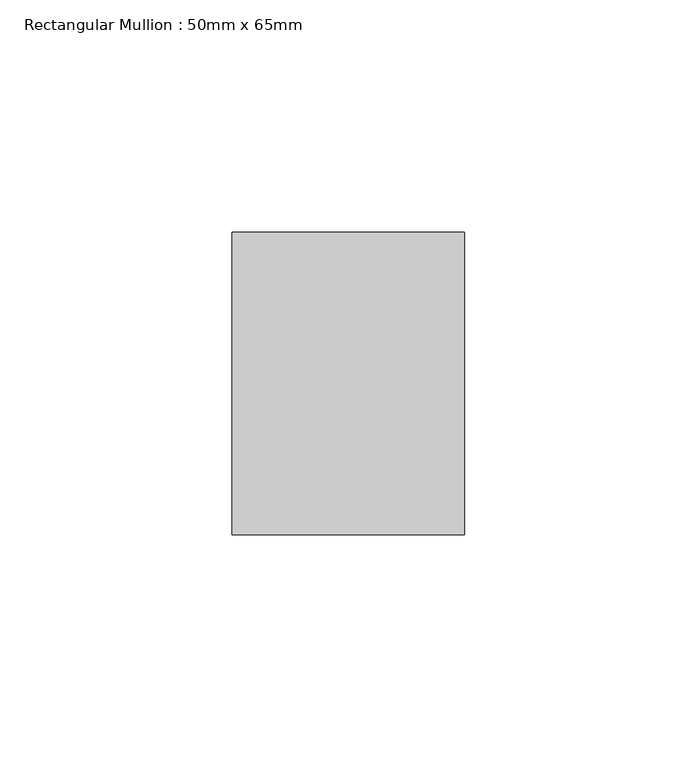
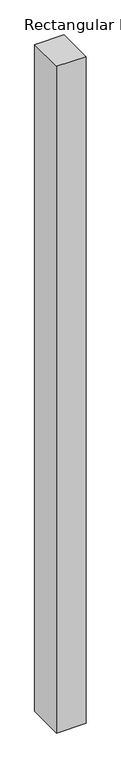
"""IFC4 building model written with IfcOpenShell, lengths in millimetres: member geometry, Rectangular Mullion : 50mm x 65mm."""

from ifc_helpers import new_model, si_unit, frame, origin, place, context, project, spatial, polyline, outline, extrude, source, transform, mapped, element, save


def rectangular_mullion_50mm_x_65mm_c29957c2(model_context):
    return source(origin(), model_context, "Body", "SweptSolid", [
        extrude(outline(polyline([(25.0, 32.5), (25.0, -32.5), (-25.0, -32.5), (-25.0, 32.5), (25.0, 32.5)])), frame((0.0, 0.0, -1205.1797158), z_axis=(0.0, 0.0, 1.0), x_axis=(1.0, 0.0, 0.0)), (0.0, 0.0, 1.0), 1205.1797158),
    ])


if __name__ == "__main__":
    model = new_model("IFC4")
    model_context = context("Model", 3, world=origin())
    ifc_project = project(units=[si_unit("LENGTHUNIT", "METRE", prefix="MILLI")], contexts=[model_context])
    site = spatial("IfcSite", under=ifc_project)
    building = spatial("IfcBuilding", under=site)
    placement = place(None, origin())
    rectangular_mullion_50mm_x_65mm_shape = rectangular_mullion_50mm_x_65mm_c29957c2(model_context)
    element("IfcMember", 1, ObjectType="Rectangular Mullion : 50mm x 65mm", at=placement, inside=building, context=model_context, shape_type="MappedRepresentation", body=[
        mapped(rectangular_mullion_50mm_x_65mm_shape, transform((0.0, 0.0, 0.0), x_axis=(1.0, 0.0, 0.0), y_axis=(0.0, 1.0, 0.0), z_axis=(0.0, 0.0, 1.0))),
    ])
    save(model, "model.ifc")
